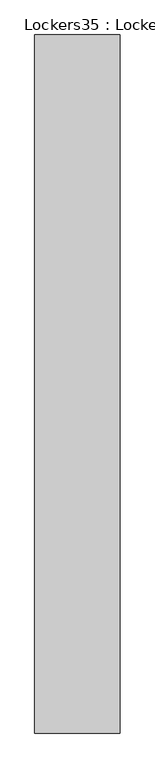
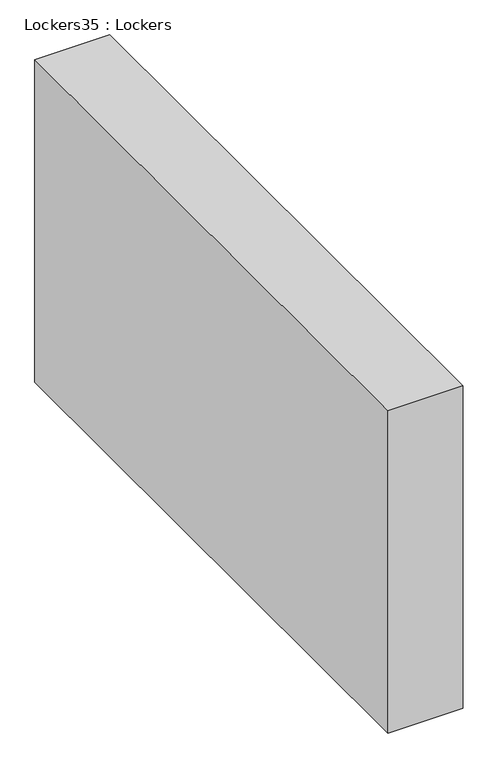
"""IFC4 building model written with IfcOpenShell, lengths in millimetres: furniture geometry, Lockers35 : Lockers."""

from ifc_helpers import new_model, si_unit, origin, origin_with_axes, place, context, project, spatial, polyline, outline, extrude, source, transform, mapped, element, save


def lockers35_lockers_e2f04d71(model_context):
    return source(origin(), model_context, "Body", "SweptSolid", [
        extrude(outline(polyline([(-565259.3932805, -57183.3271139), (-564856.8823022, -57183.3271139), (-564856.8823022, -60468.4182537), (-565259.3932805, -60468.4182537), (-565259.3932805, -57183.3271139)])), origin_with_axes(), (0.0, 0.0, 1.0), 1828.8),
    ])


if __name__ == "__main__":
    model = new_model("IFC4")
    model_context = context("Model", 3, world=origin())
    ifc_project = project(units=[si_unit("LENGTHUNIT", "METRE", prefix="MILLI")], contexts=[model_context])
    site = spatial("IfcSite", under=ifc_project)
    building = spatial("IfcBuilding", under=site)
    placement = place(None, origin())
    lockers35_lockers_shape = lockers35_lockers_e2f04d71(model_context)
    element("IfcFurniture", 1, ObjectType="Lockers35 : Lockers", at=placement, inside=building, context=model_context, shape_type="MappedRepresentation", body=[
        mapped(lockers35_lockers_shape, transform((0.0, 0.0, 0.0), x_axis=(1.0, 0.0, 0.0), y_axis=(0.0, 1.0, 0.0), z_axis=(0.0, 0.0, 1.0))),
    ])
    save(model, "model.ifc")
